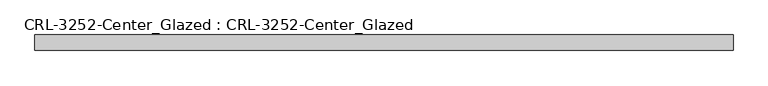
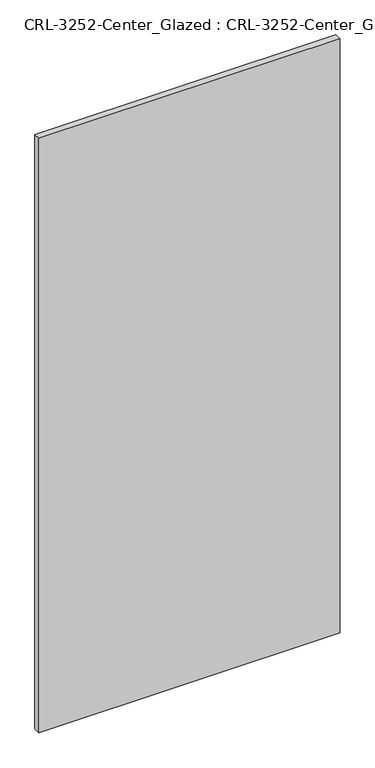
"""IFC4 building model written with IfcOpenShell, lengths in millimetres: plate geometry, CRL-3252-Center_Glazed : CRL-3252-Center_Glazed."""

from ifc_helpers import new_model, si_unit, origin, origin_with_axes, place, context, project, spatial, polyline, outline, extrude, source, transform, mapped, element, save


def crl_3252_center_glazed_crl_3252_center_glazed_833a6126(model_context):
    return source(origin(), model_context, "Body", "SweptSolid", [
        extrude(outline(polyline([(574.4108426, 12.7), (574.4108426, -12.7), (-574.4108426, -12.7), (-574.4108426, 12.7), (574.4108426, 12.7)])), origin_with_axes(), (0.0, 0.0, 1.0), 2400.0002773),
    ])


if __name__ == "__main__":
    model = new_model("IFC4")
    model_context = context("Model", 3, world=origin())
    ifc_project = project(units=[si_unit("LENGTHUNIT", "METRE", prefix="MILLI")], contexts=[model_context])
    site = spatial("IfcSite", under=ifc_project)
    building = spatial("IfcBuilding", under=site)
    placement = place(None, origin())
    crl_3252_center_glazed_crl_3252_center_glazed_shape = crl_3252_center_glazed_crl_3252_center_glazed_833a6126(model_context)
    element("IfcPlate", 1, ObjectType="CRL-3252-Center_Glazed : CRL-3252-Center_Glazed", at=placement, inside=building, context=model_context, shape_type="MappedRepresentation", body=[
        mapped(crl_3252_center_glazed_crl_3252_center_glazed_shape, transform((0.0, 0.0, 0.0), x_axis=(1.0, 0.0, 0.0), y_axis=(0.0, 1.0, 0.0), z_axis=(0.0, 0.0, 1.0))),
    ])
    save(model, "model.ifc")
